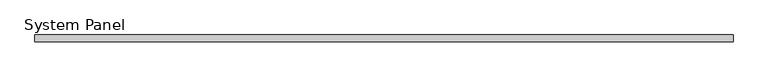
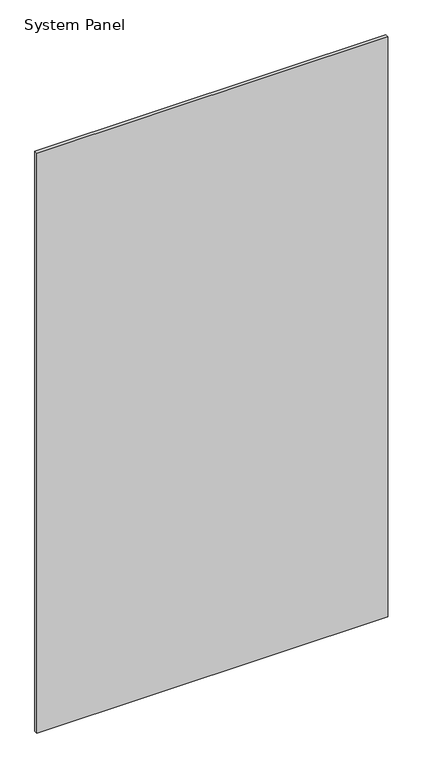
"""IFC4 building model written with IfcOpenShell, lengths in millimetres: plate geometry, System Panel."""

import ifcopenshell
import ifcopenshell.guid

model = None  # the IFC model being written
_history = None  # IfcOwnerHistory: only IFC2X3 demands one
_inside = {}  # id of a spatial element -> (the spatial element, [elements in it])
_under = {}  # id of a project, library or spatial element -> (it, [spatial elements below it])
_declared = {}  # id of a project -> (the project, [libraries it declares])
_typed = {}  # id of a type object -> (the type object, [elements of that type])
_made_of = {}  # id of a material, layer set ... -> (it, [elements and type objects made of it])


def new_model(schema):
    """Start an empty IFC model of exactly this schema.

    Asked for "IFC4X3", IfcOpenShell would pick the latest addendum, in which some entities
    have other attributes; the version numbers below select the first issue.
    IFC2X3 requires an IfcOwnerHistory on every rooted entity: one is made here for all.
    """
    global model, _history
    if schema == "IFC4X3":
        model = ifcopenshell.file(schema_version=(4, 3, 0, 0))
    else:
        model = ifcopenshell.file(schema=schema)
    _inside.clear()
    _under.clear()
    _declared.clear()
    _typed.clear()
    _made_of.clear()
    _history = None
    if model.schema == "IFC2X3":
        org = make("IfcOrganization", Name="unknown")
        user = make(
            "IfcPersonAndOrganization",
            ThePerson=make("IfcPerson", FamilyName="unknown"),
            TheOrganization=org,
        )
        app = make(
            "IfcApplication",
            ApplicationDeveloper=org,
            Version="unknown",
            ApplicationFullName="unknown",
            ApplicationIdentifier="unknown",
        )
        _history = make(
            "IfcOwnerHistory",
            OwningUser=user,
            OwningApplication=app,
            ChangeAction="ADDED",
            CreationDate=0,
        )
    return model


def make(cls, **values):
    """One entity of the class cls with the attributes given. An attribute that is None is left unset."""
    return model.create_entity(
        cls, **{name: value for name, value in values.items() if value is not None}
    )


def rooted(cls, **values):
    """An entity with a GlobalId (a new one), such as an element, a storey or a relation."""
    return make(cls, GlobalId=ifcopenshell.guid.new(), OwnerHistory=_history, **values)


def si_unit(unit_type, name, prefix=None):
    """IfcSIUnit, for example si_unit("LENGTHUNIT", "METRE", prefix="MILLI")."""
    return make("IfcSIUnit", UnitType=unit_type, Prefix=prefix, Name=name)


def assignment(units):
    """IfcUnitAssignment: the units of a project."""
    return None if units is None else make("IfcUnitAssignment", Units=units)


def point(xyz):
    """IfcCartesianPoint."""
    return None if xyz is None else make("IfcCartesianPoint", Coordinates=xyz)


def direction(xyz):
    """IfcDirection."""
    return None if xyz is None else make("IfcDirection", DirectionRatios=xyz)


def frame(location, z_axis=None, x_axis=None):
    """IfcAxis2Placement3D, a coordinate frame: its origin and axes. An axis left out is left unset."""
    return make(
        "IfcAxis2Placement3D",
        Location=point(location),
        Axis=direction(z_axis),
        RefDirection=direction(x_axis),
    )


def origin():
    """The frame at (0, 0, 0) with its axes left unset."""
    return frame((0.0, 0.0, 0.0))


def origin_with_axes():
    """The frame at (0, 0, 0) with the z axis (0, 0, 1) and the x axis (1, 0, 0) written out."""
    return frame((0.0, 0.0, 0.0), z_axis=(0.0, 0.0, 1.0), x_axis=(1.0, 0.0, 0.0))


def place(relative_to, where):
    """IfcLocalPlacement: puts the frame where relative to a parent placement (None: the world)."""
    return make(
        "IfcLocalPlacement", PlacementRelTo=relative_to, RelativePlacement=where
    )


def context(
    kind, dimensions, precision=None, world=None, true_north=None, identifier=None
):
    """IfcGeometricRepresentationContext, for example the 3D "Model" context."""
    return make(
        "IfcGeometricRepresentationContext",
        ContextIdentifier=identifier,
        ContextType=kind,
        CoordinateSpaceDimension=dimensions,
        Precision=precision,
        WorldCoordinateSystem=world,
        TrueNorth=true_north,
    )


def project(units=None, contexts=None):
    """IfcProject with its units and contexts."""
    return rooted(
        "IfcProject",
        Name="project",
        RepresentationContexts=contexts,
        UnitsInContext=assignment(units),
    )


def spatial(cls, under=None, at=None, **own):
    """A site, building, storey or space (cls), placed at a placement, below another one or the project."""
    s = rooted(cls, ObjectPlacement=at, **own)
    if under is not None:
        _under.setdefault(under.id(), (under, []))[1].append(s)
    return s


def polyline(points):
    """IfcPolyline through the points."""
    return make("IfcPolyline", Points=[point(p) for p in points])


def outline(outer, holes=None, kind="AREA"):
    """IfcArbitraryClosedProfileDef: a profile drawn as a closed curve; with holes, ...WithVoids."""
    if holes is None:
        return make("IfcArbitraryClosedProfileDef", ProfileType=kind, OuterCurve=outer)
    return make(
        "IfcArbitraryProfileDefWithVoids",
        ProfileType=kind,
        OuterCurve=outer,
        InnerCurves=holes,
    )


def extrude(swept, where, along, depth):
    """IfcExtrudedAreaSolid: the profile swept, set in the frame where, extruded along a direction by depth."""
    return make(
        "IfcExtrudedAreaSolid",
        SweptArea=swept,
        Position=where,
        ExtrudedDirection=direction(along),
        Depth=depth,
    )


def shape(context_of_items, identifier, shape_type, items):
    """IfcShapeRepresentation: the items that make up one representation, for example the "Body"."""
    return make(
        "IfcShapeRepresentation",
        ContextOfItems=context_of_items,
        RepresentationIdentifier=identifier,
        RepresentationType=shape_type,
        Items=items,
    )


def source(mapping_origin, context_of_items, identifier, shape_type, items):
    """IfcRepresentationMap: a shape defined once, which mapped items show again and again."""
    return make(
        "IfcRepresentationMap",
        MappingOrigin=mapping_origin,
        MappedRepresentation=shape(context_of_items, identifier, shape_type, items),
    )


def transform(
    local_origin,
    x_axis=None,
    y_axis=None,
    z_axis=None,
    scale=None,
    scale2=None,
    scale3=None,
    uniform=True,
):
    """IfcCartesianTransformationOperator3D, or its non-uniform kind. x_axis, y_axis, z_axis: its Axis1, 2, 3."""
    if uniform:
        return make(
            "IfcCartesianTransformationOperator3D",
            Axis1=direction(x_axis),
            Axis2=direction(y_axis),
            LocalOrigin=point(local_origin),
            Scale=scale,
            Axis3=direction(z_axis),
        )
    return make(
        "IfcCartesianTransformationOperator3DnonUniform",
        Axis1=direction(x_axis),
        Axis2=direction(y_axis),
        LocalOrigin=point(local_origin),
        Scale=scale,
        Axis3=direction(z_axis),
        Scale2=scale2,
        Scale3=scale3,
    )


def mapped(mapping_source, mapping_target):
    """IfcMappedItem: shows the shape of a source again, moved by a transform."""
    return make(
        "IfcMappedItem", MappingSource=mapping_source, MappingTarget=mapping_target
    )


def made_of(thing, what):
    """Note that an element or type object is made of a material, layer set ...; save() writes the relation."""
    if what is not None:
        _made_of.setdefault(what.id(), (what, []))[1].append(thing)
    return thing


def element(
    cls,
    number,
    at=None,
    inside=None,
    cuts=None,
    type_object=None,
    material=None,
    context=None,
    identifier="Body",
    shape_type=None,
    held_by="IfcProductDefinitionShape",
    body=None,
    shapes=None,
    **own,
):
    """One element of the class cls, such as IfcWall. Its Tag is "e" and its number.

    at: its placement. inside: the storey or other place that contains it. cuts: it is an
    opening in that element (IfcRelVoidsElement). A single representation is given by context,
    identifier, shape_type and body (its items); several are given by shapes. held_by: the class
    of the entity that holds the representations. save() writes the other relations.
    """
    e = rooted(cls, Tag="e%d" % number, ObjectPlacement=at, **own)
    if body is not None:
        shapes = [shape(context, identifier, shape_type, body)]
    if shapes is not None:
        e.Representation = make(held_by, Representations=shapes)
    if inside is not None:
        _inside.setdefault(inside.id(), (inside, []))[1].append(e)
    if cuts is not None:
        rooted(
            "IfcRelVoidsElement", RelatingBuildingElement=cuts, RelatedOpeningElement=e
        )
    if type_object is not None:
        _typed.setdefault(type_object.id(), (type_object, []))[1].append(e)
    return made_of(e, material)


def aggregate(whole, parts):
    """IfcRelAggregates: a whole, such as a stair, and the parts it consists of."""
    return rooted("IfcRelAggregates", RelatingObject=whole, RelatedObjects=parts)


def save(model, path):
    """Write the relations noted so far, then the file.

    IfcRelAggregates (storeys below a building ...), IfcRelContainedInSpatialStructure (elements
    in a storey), IfcRelDefinesByType, IfcRelAssociatesMaterial and IfcRelDeclares: one each for
    every whole, place, type object, material and project.
    """
    for whole, parts in _under.values():
        aggregate(whole, parts)
    for where, things in _inside.values():
        rooted(
            "IfcRelContainedInSpatialStructure",
            RelatedElements=things,
            RelatingStructure=where,
        )
    for kind, things in _typed.values():
        rooted("IfcRelDefinesByType", RelatedObjects=things, RelatingType=kind)
    for what, things in _made_of.values():
        rooted("IfcRelAssociatesMaterial", RelatedObjects=things, RelatingMaterial=what)
    for by, libraries in _declared.values():
        rooted("IfcRelDeclares", RelatingContext=by, RelatedDefinitions=libraries)
    model.write(path)


def system_panel_075d5dee(model_context):
    return source(origin(), model_context, "Body", "SweptSolid", [
        extrude(outline(polyline([(670.7187499, -12.7), (-670.7187499, -12.7), (-670.7187499, 0.0), (670.7187499, 0.0), (670.7187499, -12.7)])), origin_with_axes(), (0.0, 0.0, 1.0), 2343.15),
    ])


if __name__ == "__main__":
    model = new_model("IFC4")
    model_context = context("Model", 3, world=origin())
    ifc_project = project(units=[si_unit("LENGTHUNIT", "METRE", prefix="MILLI")], contexts=[model_context])
    site = spatial("IfcSite", under=ifc_project)
    building = spatial("IfcBuilding", under=site)
    placement = place(None, origin())
    system_panel_shape = system_panel_075d5dee(model_context)
    element("IfcPlate", 1, ObjectType="System Panel", at=placement, inside=building, context=model_context, shape_type="MappedRepresentation", body=[
        mapped(system_panel_shape, transform((0.0, 0.0, 0.0), x_axis=(1.0, 0.0, 0.0), y_axis=(0.0, 1.0, 0.0), z_axis=(0.0, 0.0, 1.0))),
    ])
    save(model, "model.ifc")
